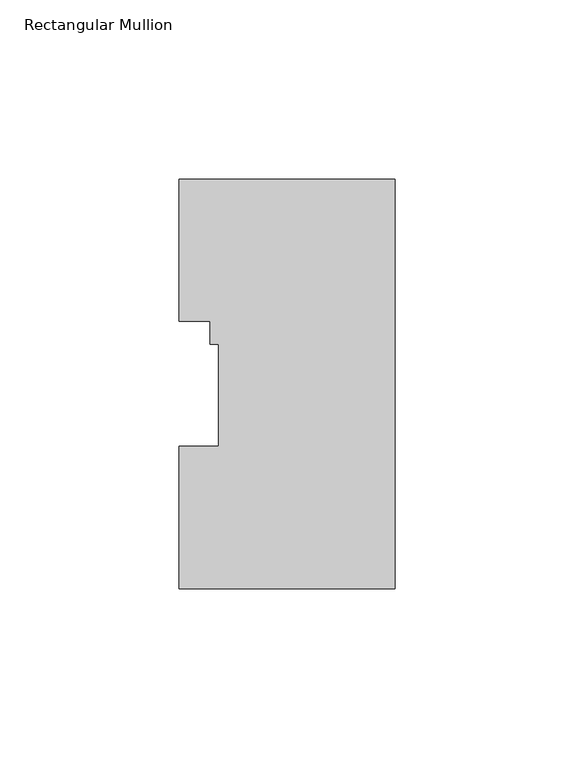
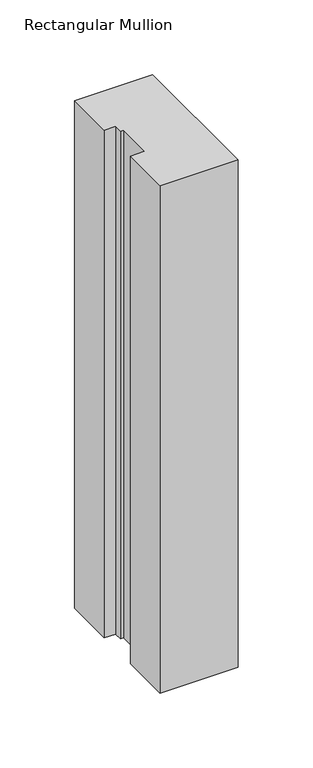
"""IFC4 building model written with IfcOpenShell, lengths in millimetres: member geometry, Rectangular Mullion."""

from ifc_helpers import new_model, si_unit, frame, origin, place, context, project, spatial, polyline, outline, extrude, source, transform, mapped, element, save


def rectangular_mullion_e83b1b72(model_context):
    return source(origin(), model_context, "Body", "SweptSolid", [
        extrude(outline(polyline([(0.0, 114.271425), (0.0, -0.028575), (-60.325, -0.028575), (-60.325, 39.646225), (-49.2125, 39.646225), (-49.2125, 68.246625), (-51.5874, 68.246625), (-51.5874, 74.596625), (-60.325, 74.596625), (-60.325, 114.271425), (0.0, 114.271425)])), frame((0.0, 0.0, -414.3375), z_axis=(0.0, 0.0, 1.0), x_axis=(1.0, 0.0, 0.0)), (0.0, 0.0, 1.0), 414.3375),
    ])


if __name__ == "__main__":
    model = new_model("IFC4")
    model_context = context("Model", 3, world=origin())
    ifc_project = project(units=[si_unit("LENGTHUNIT", "METRE", prefix="MILLI")], contexts=[model_context])
    site = spatial("IfcSite", under=ifc_project)
    building = spatial("IfcBuilding", under=site)
    placement = place(None, origin())
    rectangular_mullion_shape = rectangular_mullion_e83b1b72(model_context)
    element("IfcMember", 1, ObjectType="Rectangular Mullion", at=placement, inside=building, context=model_context, shape_type="MappedRepresentation", body=[
        mapped(rectangular_mullion_shape, transform((0.0, 0.0, 0.0), x_axis=(1.0, 0.0, 0.0), y_axis=(0.0, 1.0, 0.0), z_axis=(0.0, 0.0, 1.0))),
    ])
    save(model, "model.ifc")
